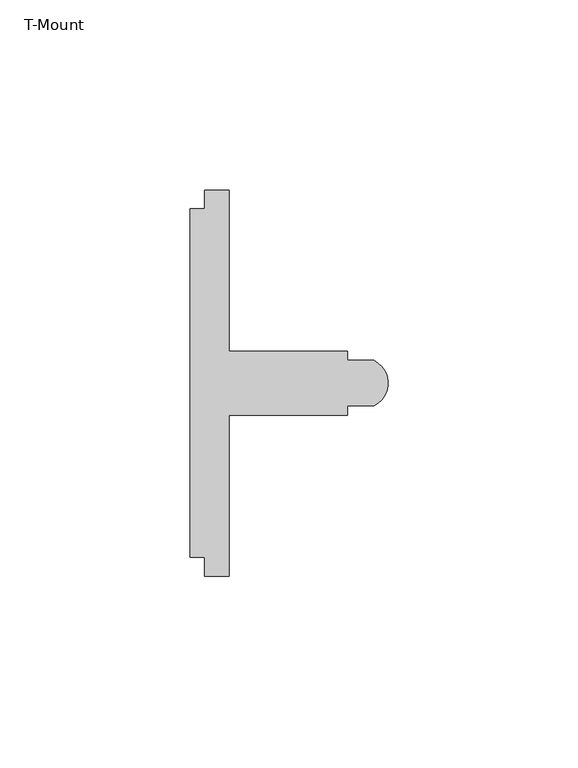
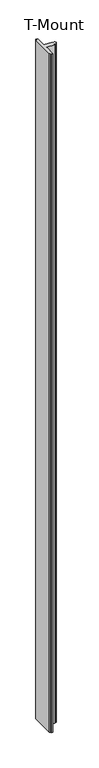
"""IFC4 building model written with IfcOpenShell, lengths in millimetres: furniture geometry, T-Mount."""

from ifc_helpers import new_model, si_unit, point, frame_2d, origin, origin_with_axes, place, context, project, spatial, polyline, circle_curve, trimmed, segment, composite_curve, outline, extrude, source, transform, mapped, element, save


def t_mount_7686f2f3(model_context):
    return source(origin(), model_context, "Body", "SweptSolid", [
        extrude(outline(composite_curve([segment(polyline([(29.9771531, 61.348805), (29.9771531, 66.301805), (36.3271533, 66.301805), (36.3271533, 23.9018053), (67.5271543, 23.9018053), (67.5271543, 21.5018052), (74.4783633, 21.5018052)]), True, "CONTINUOUS"), segment(trimmed(circle_curve(frame_2d((71.5087972, 15.501805)), 6.694649), [point((74.4783633, 21.5018052))], [point((74.4783633, 9.5018049))], False, "CARTESIAN"), True, "CONTINUOUS"), segment(polyline([(74.4783633, 9.5018049), (67.5271543, 9.5018049), (67.5271543, 7.1018048), (36.3271533, 7.1018048), (36.3271533, -35.298195), (29.9771531, -35.298195), (29.9771531, -30.345195), (26.0401531, -30.345195), (26.0401531, 61.348805), (29.9771531, 61.348805)]), True, "CONTINUOUS")], self_intersect=False)), origin_with_axes(), (0.0, 0.0, 1.0), 2743.2),
    ])


if __name__ == "__main__":
    model = new_model("IFC4")
    model_context = context("Model", 3, world=origin())
    ifc_project = project(units=[si_unit("LENGTHUNIT", "METRE", prefix="MILLI")], contexts=[model_context])
    site = spatial("IfcSite", under=ifc_project)
    building = spatial("IfcBuilding", under=site)
    placement = place(None, origin())
    t_mount_shape = t_mount_7686f2f3(model_context)
    element("IfcFurniture", 1, ObjectType="T-Mount", at=placement, inside=building, context=model_context, shape_type="MappedRepresentation", body=[
        mapped(t_mount_shape, transform((0.0, 0.0, 0.0), x_axis=(1.0, 0.0, 0.0), y_axis=(0.0, 1.0, 0.0), z_axis=(0.0, 0.0, 1.0))),
    ])
    save(model, "model.ifc")
